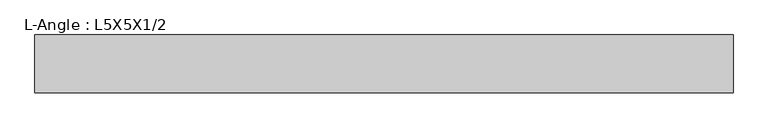
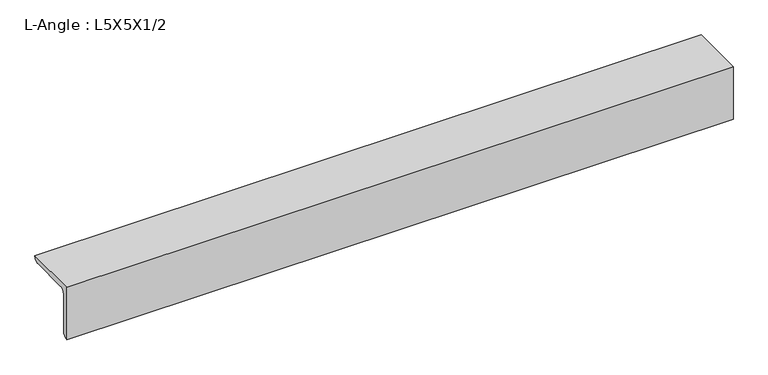
"""IFC4 building model written with IfcOpenShell, lengths in millimetres: beam geometry, L-Angle : L5X5X1/2."""

from ifc_helpers import new_model, si_unit, point, frame, frame_2d, origin, place, context, project, spatial, polyline, circle_curve, trimmed, segment, composite_curve, outline, extrude, source, transform, mapped, element, save


def l_angle_l5x5x1_2_2d2d9d96(model_context):
    return source(origin(), model_context, "Body", "SweptSolid", [
        extrude(outline(composite_curve([segment(polyline([(-36.068, 36.068), (90.932, 36.068)]), True, "CONTINUOUS"), segment(trimmed(circle_curve(frame_2d((78.232, 36.068)), 12.7), [point((90.932, 36.068))], [point((78.232, 23.368))], False, "CARTESIAN"), True, "CONTINUOUS"), segment(polyline([(78.232, 23.368), (-10.668, 23.368)]), True, "CONTINUOUS"), segment(trimmed(circle_curve(frame_2d((-10.668, 10.668)), 12.7), [point((-10.668, 23.368))], [point((-23.368, 10.668))], True, "CARTESIAN"), True, "CONTINUOUS"), segment(polyline([(-23.368, 10.668), (-23.368, -78.232)]), True, "CONTINUOUS"), segment(trimmed(circle_curve(frame_2d((-36.068, -78.232)), 12.7), [point((-23.368, -78.232))], [point((-36.068, -90.932))], False, "CARTESIAN"), True, "CONTINUOUS"), segment(polyline([(-36.068, -90.932), (-36.068, 36.068)]), True, "CONTINUOUS")], self_intersect=False)), frame((-1352.3297049, 0.0, 0.0), z_axis=(1.0, 0.0, 0.0), x_axis=(0.0, 1.0, 0.0)), (0.0, 0.0, 1.0), 1528.2449468),
    ])


if __name__ == "__main__":
    model = new_model("IFC4")
    model_context = context("Model", 3, world=origin())
    ifc_project = project(units=[si_unit("LENGTHUNIT", "METRE", prefix="MILLI")], contexts=[model_context])
    site = spatial("IfcSite", under=ifc_project)
    building = spatial("IfcBuilding", under=site)
    placement = place(None, origin())
    l_angle_l5x5x1_2_shape = l_angle_l5x5x1_2_2d2d9d96(model_context)
    element("IfcBeam", 1, ObjectType="L-Angle : L5X5X1/2", at=placement, inside=building, context=model_context, shape_type="MappedRepresentation", body=[
        mapped(l_angle_l5x5x1_2_shape, transform((0.0, 0.0, 0.0), x_axis=(1.0, 0.0, 0.0), y_axis=(0.0, 1.0, 0.0), z_axis=(0.0, 0.0, 1.0))),
    ])
    save(model, "model.ifc")
